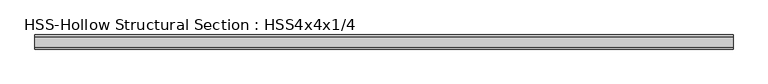
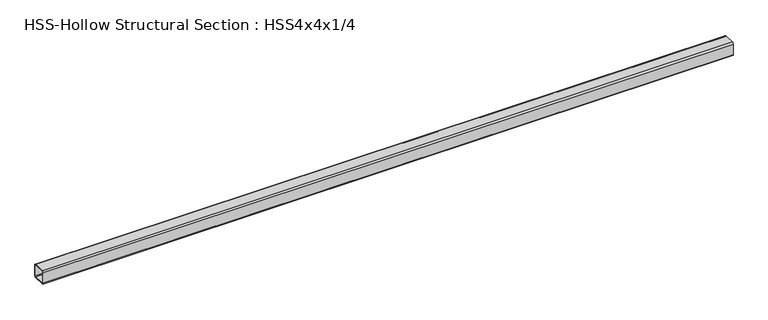
"""IFC4 building model written with IfcOpenShell, lengths in millimetres: member geometry, HSS-Hollow Structural Section : HSS4x4x1/4."""

import ifcopenshell
import ifcopenshell.guid

model = None  # the IFC model being written
_history = None  # IfcOwnerHistory: only IFC2X3 demands one
_inside = {}  # id of a spatial element -> (the spatial element, [elements in it])
_under = {}  # id of a project, library or spatial element -> (it, [spatial elements below it])
_declared = {}  # id of a project -> (the project, [libraries it declares])
_typed = {}  # id of a type object -> (the type object, [elements of that type])
_made_of = {}  # id of a material, layer set ... -> (it, [elements and type objects made of it])


def new_model(schema):
    """Start an empty IFC model of exactly this schema.

    Asked for "IFC4X3", IfcOpenShell would pick the latest addendum, in which some entities
    have other attributes; the version numbers below select the first issue.
    IFC2X3 requires an IfcOwnerHistory on every rooted entity: one is made here for all.
    """
    global model, _history
    if schema == "IFC4X3":
        model = ifcopenshell.file(schema_version=(4, 3, 0, 0))
    else:
        model = ifcopenshell.file(schema=schema)
    _inside.clear()
    _under.clear()
    _declared.clear()
    _typed.clear()
    _made_of.clear()
    _history = None
    if model.schema == "IFC2X3":
        org = make("IfcOrganization", Name="unknown")
        user = make(
            "IfcPersonAndOrganization",
            ThePerson=make("IfcPerson", FamilyName="unknown"),
            TheOrganization=org,
        )
        app = make(
            "IfcApplication",
            ApplicationDeveloper=org,
            Version="unknown",
            ApplicationFullName="unknown",
            ApplicationIdentifier="unknown",
        )
        _history = make(
            "IfcOwnerHistory",
            OwningUser=user,
            OwningApplication=app,
            ChangeAction="ADDED",
            CreationDate=0,
        )
    return model


def make(cls, **values):
    """One entity of the class cls with the attributes given. An attribute that is None is left unset."""
    return model.create_entity(
        cls, **{name: value for name, value in values.items() if value is not None}
    )


def rooted(cls, **values):
    """An entity with a GlobalId (a new one), such as an element, a storey or a relation."""
    return make(cls, GlobalId=ifcopenshell.guid.new(), OwnerHistory=_history, **values)


def si_unit(unit_type, name, prefix=None):
    """IfcSIUnit, for example si_unit("LENGTHUNIT", "METRE", prefix="MILLI")."""
    return make("IfcSIUnit", UnitType=unit_type, Prefix=prefix, Name=name)


def assignment(units):
    """IfcUnitAssignment: the units of a project."""
    return None if units is None else make("IfcUnitAssignment", Units=units)


def point(xyz):
    """IfcCartesianPoint."""
    return None if xyz is None else make("IfcCartesianPoint", Coordinates=xyz)


def direction(xyz):
    """IfcDirection."""
    return None if xyz is None else make("IfcDirection", DirectionRatios=xyz)


def frame(location, z_axis=None, x_axis=None):
    """IfcAxis2Placement3D, a coordinate frame: its origin and axes. An axis left out is left unset."""
    return make(
        "IfcAxis2Placement3D",
        Location=point(location),
        Axis=direction(z_axis),
        RefDirection=direction(x_axis),
    )


def frame_2d(location, x_axis=None):
    """IfcAxis2Placement2D, a coordinate frame in the plane: its origin and x axis."""
    return make(
        "IfcAxis2Placement2D", Location=point(location), RefDirection=direction(x_axis)
    )


def origin():
    """The frame at (0, 0, 0) with its axes left unset."""
    return frame((0.0, 0.0, 0.0))


def place(relative_to, where):
    """IfcLocalPlacement: puts the frame where relative to a parent placement (None: the world)."""
    return make(
        "IfcLocalPlacement", PlacementRelTo=relative_to, RelativePlacement=where
    )


def context(
    kind, dimensions, precision=None, world=None, true_north=None, identifier=None
):
    """IfcGeometricRepresentationContext, for example the 3D "Model" context."""
    return make(
        "IfcGeometricRepresentationContext",
        ContextIdentifier=identifier,
        ContextType=kind,
        CoordinateSpaceDimension=dimensions,
        Precision=precision,
        WorldCoordinateSystem=world,
        TrueNorth=true_north,
    )


def project(units=None, contexts=None):
    """IfcProject with its units and contexts."""
    return rooted(
        "IfcProject",
        Name="project",
        RepresentationContexts=contexts,
        UnitsInContext=assignment(units),
    )


def spatial(cls, under=None, at=None, **own):
    """A site, building, storey or space (cls), placed at a placement, below another one or the project."""
    s = rooted(cls, ObjectPlacement=at, **own)
    if under is not None:
        _under.setdefault(under.id(), (under, []))[1].append(s)
    return s


def polyline(points):
    """IfcPolyline through the points."""
    return make("IfcPolyline", Points=[point(p) for p in points])


def circle_curve(where, radius):
    """IfcCircle in the frame where."""
    return make("IfcCircle", Position=where, Radius=radius)


def trimmed(basis, trim1, trim2, sense, master):
    """IfcTrimmedCurve: the piece of a basis curve between two trims."""
    return make(
        "IfcTrimmedCurve",
        BasisCurve=basis,
        Trim1=trim1,
        Trim2=trim2,
        SenseAgreement=sense,
        MasterRepresentation=master,
    )


def segment(curve, same_sense, transition):
    """IfcCompositeCurveSegment."""
    return make(
        "IfcCompositeCurveSegment",
        Transition=transition,
        SameSense=same_sense,
        ParentCurve=curve,
    )


def composite_curve(segments, self_intersect=None):
    """IfcCompositeCurve: segments joined end to end."""
    return make("IfcCompositeCurve", Segments=segments, SelfIntersect=self_intersect)


def outline(outer, holes=None, kind="AREA"):
    """IfcArbitraryClosedProfileDef: a profile drawn as a closed curve; with holes, ...WithVoids."""
    if holes is None:
        return make("IfcArbitraryClosedProfileDef", ProfileType=kind, OuterCurve=outer)
    return make(
        "IfcArbitraryProfileDefWithVoids",
        ProfileType=kind,
        OuterCurve=outer,
        InnerCurves=holes,
    )


def extrude(swept, where, along, depth):
    """IfcExtrudedAreaSolid: the profile swept, set in the frame where, extruded along a direction by depth."""
    return make(
        "IfcExtrudedAreaSolid",
        SweptArea=swept,
        Position=where,
        ExtrudedDirection=direction(along),
        Depth=depth,
    )


def shape(context_of_items, identifier, shape_type, items):
    """IfcShapeRepresentation: the items that make up one representation, for example the "Body"."""
    return make(
        "IfcShapeRepresentation",
        ContextOfItems=context_of_items,
        RepresentationIdentifier=identifier,
        RepresentationType=shape_type,
        Items=items,
    )


def source(mapping_origin, context_of_items, identifier, shape_type, items):
    """IfcRepresentationMap: a shape defined once, which mapped items show again and again."""
    return make(
        "IfcRepresentationMap",
        MappingOrigin=mapping_origin,
        MappedRepresentation=shape(context_of_items, identifier, shape_type, items),
    )


def transform(
    local_origin,
    x_axis=None,
    y_axis=None,
    z_axis=None,
    scale=None,
    scale2=None,
    scale3=None,
    uniform=True,
):
    """IfcCartesianTransformationOperator3D, or its non-uniform kind. x_axis, y_axis, z_axis: its Axis1, 2, 3."""
    if uniform:
        return make(
            "IfcCartesianTransformationOperator3D",
            Axis1=direction(x_axis),
            Axis2=direction(y_axis),
            LocalOrigin=point(local_origin),
            Scale=scale,
            Axis3=direction(z_axis),
        )
    return make(
        "IfcCartesianTransformationOperator3DnonUniform",
        Axis1=direction(x_axis),
        Axis2=direction(y_axis),
        LocalOrigin=point(local_origin),
        Scale=scale,
        Axis3=direction(z_axis),
        Scale2=scale2,
        Scale3=scale3,
    )


def mapped(mapping_source, mapping_target):
    """IfcMappedItem: shows the shape of a source again, moved by a transform."""
    return make(
        "IfcMappedItem", MappingSource=mapping_source, MappingTarget=mapping_target
    )


def made_of(thing, what):
    """Note that an element or type object is made of a material, layer set ...; save() writes the relation."""
    if what is not None:
        _made_of.setdefault(what.id(), (what, []))[1].append(thing)
    return thing


def element(
    cls,
    number,
    at=None,
    inside=None,
    cuts=None,
    type_object=None,
    material=None,
    context=None,
    identifier="Body",
    shape_type=None,
    held_by="IfcProductDefinitionShape",
    body=None,
    shapes=None,
    **own,
):
    """One element of the class cls, such as IfcWall. Its Tag is "e" and its number.

    at: its placement. inside: the storey or other place that contains it. cuts: it is an
    opening in that element (IfcRelVoidsElement). A single representation is given by context,
    identifier, shape_type and body (its items); several are given by shapes. held_by: the class
    of the entity that holds the representations. save() writes the other relations.
    """
    e = rooted(cls, Tag="e%d" % number, ObjectPlacement=at, **own)
    if body is not None:
        shapes = [shape(context, identifier, shape_type, body)]
    if shapes is not None:
        e.Representation = make(held_by, Representations=shapes)
    if inside is not None:
        _inside.setdefault(inside.id(), (inside, []))[1].append(e)
    if cuts is not None:
        rooted(
            "IfcRelVoidsElement", RelatingBuildingElement=cuts, RelatedOpeningElement=e
        )
    if type_object is not None:
        _typed.setdefault(type_object.id(), (type_object, []))[1].append(e)
    return made_of(e, material)


def aggregate(whole, parts):
    """IfcRelAggregates: a whole, such as a stair, and the parts it consists of."""
    return rooted("IfcRelAggregates", RelatingObject=whole, RelatedObjects=parts)


def save(model, path):
    """Write the relations noted so far, then the file.

    IfcRelAggregates (storeys below a building ...), IfcRelContainedInSpatialStructure (elements
    in a storey), IfcRelDefinesByType, IfcRelAssociatesMaterial and IfcRelDeclares: one each for
    every whole, place, type object, material and project.
    """
    for whole, parts in _under.values():
        aggregate(whole, parts)
    for where, things in _inside.values():
        rooted(
            "IfcRelContainedInSpatialStructure",
            RelatedElements=things,
            RelatingStructure=where,
        )
    for kind, things in _typed.values():
        rooted("IfcRelDefinesByType", RelatedObjects=things, RelatingType=kind)
    for what, things in _made_of.values():
        rooted("IfcRelAssociatesMaterial", RelatedObjects=things, RelatingMaterial=what)
    for by, libraries in _declared.values():
        rooted("IfcRelDeclares", RelatingContext=by, RelatedDefinitions=libraries)
    model.write(path)


def hss_hollow_structural_section_hss4x4x1_4_93f7a99e(model_context):
    return source(origin(), model_context, "Body", "SweptSolid", [
        extrude(outline(composite_curve([segment(polyline([(50.8, 38.9636), (50.8, -38.9636)]), True, "CONTINUOUS"), segment(trimmed(circle_curve(frame_2d((38.9636, -38.9636)), 11.8364), [point((50.8, -38.9636))], [point((38.9636, -50.8))], False, "CARTESIAN"), True, "CONTINUOUS"), segment(polyline([(38.9636, -50.8), (-38.9636, -50.8)]), True, "CONTINUOUS"), segment(trimmed(circle_curve(frame_2d((-38.9636, -38.9636)), 11.8364), [point((-38.9636, -50.8))], [point((-50.8, -38.9636))], False, "CARTESIAN"), True, "CONTINUOUS"), segment(polyline([(-50.8, -38.9636), (-50.8, 38.9636)]), True, "CONTINUOUS"), segment(trimmed(circle_curve(frame_2d((-38.9636, 38.9636)), 11.8364), [point((-50.8, 38.9636))], [point((-38.9636, 50.8))], False, "CARTESIAN"), True, "CONTINUOUS"), segment(polyline([(-38.9636, 50.8), (38.9636, 50.8)]), True, "CONTINUOUS"), segment(trimmed(circle_curve(frame_2d((38.9636, 38.9636)), 11.8364), [point((38.9636, 50.8))], [point((50.8, 38.9636))], False, "CARTESIAN"), True, "CONTINUOUS")], self_intersect=False), holes=[composite_curve([segment(trimmed(circle_curve(frame_2d((-38.9636, 38.9636)), 5.9182), [point((-38.9636, 44.8818))], [point((-44.8818, 38.9636))], True, "CARTESIAN"), True, "CONTINUOUS"), segment(polyline([(-44.8818, 38.9636), (-44.8818, -38.9636)]), True, "CONTINUOUS"), segment(trimmed(circle_curve(frame_2d((-38.9636, -38.9636)), 5.9182), [point((-44.8818, -38.9636))], [point((-38.9636, -44.8818))], True, "CARTESIAN"), True, "CONTINUOUS"), segment(polyline([(-38.9636, -44.8818), (38.9636, -44.8818)]), True, "CONTINUOUS"), segment(trimmed(circle_curve(frame_2d((38.9636, -38.9636)), 5.9182), [point((38.9636, -44.8818))], [point((44.8818, -38.9636))], True, "CARTESIAN"), True, "CONTINUOUS"), segment(polyline([(44.8818, -38.9636), (44.8818, 38.9636)]), True, "CONTINUOUS"), segment(trimmed(circle_curve(frame_2d((38.9636, 38.9636)), 5.9182), [point((44.8818, 38.9636))], [point((38.9636, 44.8818))], True, "CARTESIAN"), True, "CONTINUOUS"), segment(polyline([(38.9636, 44.8818), (-38.9636, 44.8818)]), True, "CONTINUOUS")], self_intersect=False)]), frame((-2672.4870672, 0.0, 0.0), z_axis=(1.0, 0.0, 0.0), x_axis=(0.0, 1.0, 0.0)), (0.0, 0.0, 1.0), 5017.5936144),
    ])


if __name__ == "__main__":
    model = new_model("IFC4")
    model_context = context("Model", 3, world=origin())
    ifc_project = project(units=[si_unit("LENGTHUNIT", "METRE", prefix="MILLI")], contexts=[model_context])
    site = spatial("IfcSite", under=ifc_project)
    building = spatial("IfcBuilding", under=site)
    placement = place(None, origin())
    hss_hollow_structural_section_hss4x4x1_4_shape = hss_hollow_structural_section_hss4x4x1_4_93f7a99e(model_context)
    element("IfcMember", 1, ObjectType="HSS-Hollow Structural Section : HSS4x4x1/4", at=placement, inside=building, context=model_context, shape_type="MappedRepresentation", body=[
        mapped(hss_hollow_structural_section_hss4x4x1_4_shape, transform((0.0, 0.0, 0.0), x_axis=(1.0, 0.0, 0.0), y_axis=(0.0, 1.0, 0.0), z_axis=(0.0, 0.0, 1.0))),
    ])
    save(model, "model.ifc")
